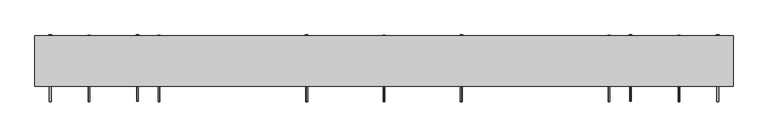
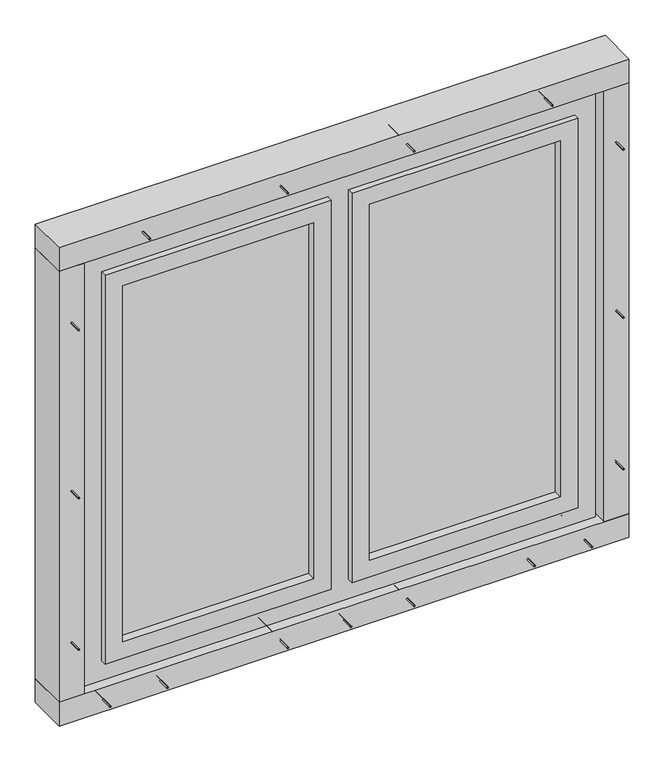
"""IFC4 building model written with IfcOpenShell, lengths in millimetres: proxy geometry."""

from ifc_helpers import new_model, si_unit, point, frame, frame_2d, origin, origin_with_axes, place, context, project, spatial, polyline, circle_curve, trimmed, segment, composite_curve, outline, extrude, source, transform, mapped, element, save


def generic_models_4fd1f605(model_context):
    return source(origin(), model_context, "Body", "SweptSolid", [
        extrude(outline(polyline([(870.0, 5.0), (220.0, 5.0), (220.0, 15.0), (870.0, 15.0), (870.0, 5.0)])), frame((0.0, 0.0, 215.0), z_axis=(0.0, 0.0, 1.0), x_axis=(1.0, 0.0, 0.0)), (0.0, 0.0, 1.0), 1280.0),
        extrude(outline(polyline([(1625.0, 1000.0), (1625.0, -750.0), (85.0, -750.0), (85.0, 1000.0), (1625.0, 1000.0)]), holes=[polyline([(155.0, 930.0), (155.0, 160.0), (1555.0, 160.0), (1555.0, 930.0), (155.0, 930.0)]), polyline([(155.0, -680.0), (1555.0, -680.0), (1555.0, 90.0), (155.0, 90.0), (155.0, -680.0)])]), frame((0.0, -5.0, 0.0), z_axis=(0.0, 1.0, 0.0), x_axis=(0.0, 0.0, 1.0)), (0.0, 0.0, 1.0), 70.0),
        extrude(outline(polyline([(155.0, 930.0), (1555.0, 930.0), (1555.0, 160.0), (155.0, 160.0), (155.0, 930.0)]), holes=[polyline([(1495.0, 870.0), (215.0, 870.0), (215.0, 220.0), (1495.0, 220.0), (1495.0, 870.0)])]), frame((0.0, -25.0, 0.0), z_axis=(0.0, 1.0, 0.0), x_axis=(0.0, 0.0, 1.0)), (0.0, 0.0, 1.0), 70.0),
        extrude(outline(polyline([(-620.0, 5.0), (-620.0, 15.0), (30.0, 15.0), (30.0, 5.0), (-620.0, 5.0)])), frame((0.0, 0.0, 215.0), z_axis=(0.0, 0.0, 1.0), x_axis=(1.0, 0.0, 0.0)), (0.0, 0.0, 1.0), 1280.0),
        extrude(outline(polyline([(155.0, 90.0), (1555.0, 90.0), (1555.0, -680.0), (155.0, -680.0), (155.0, 90.0)]), holes=[polyline([(1495.0, 30.0), (215.0, 30.0), (215.0, -620.0), (1495.0, -620.0), (1495.0, 30.0)])]), frame((0.0, -25.0, 0.0), z_axis=(0.0, 1.0, 0.0), x_axis=(0.0, 0.0, 1.0)), (0.0, 0.0, 1.0), 70.0),
        extrude(outline(composite_curve([segment(trimmed(circle_curve(frame_2d((-530.0, 30.0)), 2.4700592), [point((-530.0, 27.5299408))], [point((-530.0, 32.4700592))], False, "CARTESIAN"), True, "CONTINUOUS"), segment(trimmed(circle_curve(frame_2d((-530.0, 30.0)), 2.4700592), [point((-530.0, 32.4700592))], [point((-530.0, 27.5299408))], False, "CARTESIAN"), True, "CONTINUOUS")], self_intersect=False)), frame((0.0, 0.0, 1555.0), z_axis=(0.0, 0.0, 1.0), x_axis=(1.0, 0.0, 0.0)), (0.0, 0.0, 1.0), 140.0),
        extrude(outline(composite_curve([segment(trimmed(circle_curve(frame_2d((-530.0, 30.0)), 3.8), [point((-530.0, 26.2))], [point((-530.0, 33.8))], False, "CARTESIAN"), True, "CONTINUOUS"), segment(trimmed(circle_curve(frame_2d((-530.0, 30.0)), 3.8), [point((-530.0, 33.8))], [point((-530.0, 26.2))], False, "CARTESIAN"), True, "CONTINUOUS")], self_intersect=False)), frame((0.0, 0.0, 1552.0), z_axis=(0.0, 0.0, 1.0), x_axis=(1.0, 0.0, 0.0)), (0.0, 0.0, 1.0), 3.0),
        extrude(outline(composite_curve([segment(trimmed(circle_curve(frame_2d((780.0, 30.0)), 2.4700592), [point((780.0, 27.5299408))], [point((780.0, 32.4700592))], False, "CARTESIAN"), True, "CONTINUOUS"), segment(trimmed(circle_curve(frame_2d((780.0, 30.0)), 2.4700592), [point((780.0, 32.4700592))], [point((780.0, 27.5299408))], False, "CARTESIAN"), True, "CONTINUOUS")], self_intersect=False)), frame((0.0, 0.0, 1555.0), z_axis=(0.0, 0.0, 1.0), x_axis=(1.0, 0.0, 0.0)), (0.0, 0.0, 1.0), 140.0),
        extrude(outline(composite_curve([segment(trimmed(circle_curve(frame_2d((780.0, 30.0)), 3.8), [point((780.0, 26.2))], [point((780.0, 33.8))], False, "CARTESIAN"), True, "CONTINUOUS"), segment(trimmed(circle_curve(frame_2d((780.0, 30.0)), 3.8), [point((780.0, 33.8))], [point((780.0, 26.2))], False, "CARTESIAN"), True, "CONTINUOUS")], self_intersect=False)), frame((0.0, 0.0, 1552.0), z_axis=(0.0, 0.0, 1.0), x_axis=(1.0, 0.0, 0.0)), (0.0, 0.0, 1.0), 3.0),
        extrude(outline(composite_curve([segment(trimmed(circle_curve(frame_2d((1677.5, 340.0)), 2.4700592), [point((1679.9700592, 340.0))], [point((1675.0299408, 340.0))], False, "CARTESIAN"), True, "CONTINUOUS"), segment(trimmed(circle_curve(frame_2d((1677.5, 340.0)), 2.4700592), [point((1675.0299408, 340.0))], [point((1679.9700592, 340.0))], False, "CARTESIAN"), True, "CONTINUOUS")], self_intersect=False)), frame((0.0, -82.0, 0.0), z_axis=(0.0, 1.0, 0.0), x_axis=(0.0, 0.0, 1.0)), (0.0, 0.0, 1.0), 182.0),
        extrude(outline(composite_curve([segment(trimmed(circle_curve(frame_2d((1677.5, 340.0)), 3.8), [point((1681.3, 340.0))], [point((1673.7, 340.0))], False, "CARTESIAN"), True, "CONTINUOUS"), segment(trimmed(circle_curve(frame_2d((1677.5, 340.0)), 3.8), [point((1673.7, 340.0))], [point((1681.3, 340.0))], False, "CARTESIAN"), True, "CONTINUOUS")], self_intersect=False)), frame((0.0, 100.0, 0.0), z_axis=(0.0, 1.0, 0.0), x_axis=(0.0, 0.0, 1.0)), (0.0, 0.0, 1.0), 3.0),
        extrude(outline(composite_curve([segment(trimmed(circle_curve(frame_2d((310.0, 30.0)), 2.4700592), [point((310.0, 27.5299408))], [point((310.0, 32.4700592))], False, "CARTESIAN"), True, "CONTINUOUS"), segment(trimmed(circle_curve(frame_2d((310.0, 30.0)), 2.4700592), [point((310.0, 32.4700592))], [point((310.0, 27.5299408))], False, "CARTESIAN"), True, "CONTINUOUS")], self_intersect=False)), frame((0.0, 0.0, 1555.0), z_axis=(0.0, 0.0, 1.0), x_axis=(1.0, 0.0, 0.0)), (0.0, 0.0, 1.0), 140.0),
        extrude(outline(composite_curve([segment(trimmed(circle_curve(frame_2d((310.0, 30.0)), 3.8), [point((310.0, 26.2))], [point((310.0, 33.8))], False, "CARTESIAN"), True, "CONTINUOUS"), segment(trimmed(circle_curve(frame_2d((310.0, 30.0)), 3.8), [point((310.0, 33.8))], [point((310.0, 26.2))], False, "CARTESIAN"), True, "CONTINUOUS")], self_intersect=False)), frame((0.0, 0.0, 1552.0), z_axis=(0.0, 0.0, 1.0), x_axis=(1.0, 0.0, 0.0)), (0.0, 0.0, 1.0), 3.0),
        extrude(outline(composite_curve([segment(trimmed(circle_curve(frame_2d((1677.5, -90.0)), 2.4700592), [point((1679.9700592, -90.0))], [point((1675.0299408, -90.0))], False, "CARTESIAN"), True, "CONTINUOUS"), segment(trimmed(circle_curve(frame_2d((1677.5, -90.0)), 2.4700592), [point((1675.0299408, -90.0))], [point((1679.9700592, -90.0))], False, "CARTESIAN"), True, "CONTINUOUS")], self_intersect=False)), frame((0.0, -82.0, 0.0), z_axis=(0.0, 1.0, 0.0), x_axis=(0.0, 0.0, 1.0)), (0.0, 0.0, 1.0), 182.0),
        extrude(outline(composite_curve([segment(trimmed(circle_curve(frame_2d((1677.5, -90.0)), 3.8), [point((1681.3, -90.0))], [point((1673.7, -90.0))], False, "CARTESIAN"), True, "CONTINUOUS"), segment(trimmed(circle_curve(frame_2d((1677.5, -90.0)), 3.8), [point((1673.7, -90.0))], [point((1681.3, -90.0))], False, "CARTESIAN"), True, "CONTINUOUS")], self_intersect=False)), frame((0.0, 100.0, 0.0), z_axis=(0.0, 1.0, 0.0), x_axis=(0.0, 0.0, 1.0)), (0.0, 0.0, 1.0), 3.0),
        extrude(outline(composite_curve([segment(trimmed(circle_curve(frame_2d((-60.0, 30.0)), 2.4700592), [point((-60.0, 27.5299408))], [point((-60.0, 32.4700592))], False, "CARTESIAN"), True, "CONTINUOUS"), segment(trimmed(circle_curve(frame_2d((-60.0, 30.0)), 2.4700592), [point((-60.0, 32.4700592))], [point((-60.0, 27.5299408))], False, "CARTESIAN"), True, "CONTINUOUS")], self_intersect=False)), frame((0.0, 0.0, 1555.0), z_axis=(0.0, 0.0, 1.0), x_axis=(1.0, 0.0, 0.0)), (0.0, 0.0, 1.0), 140.0),
        extrude(outline(composite_curve([segment(trimmed(circle_curve(frame_2d((-60.0, 30.0)), 3.8), [point((-60.0, 26.2))], [point((-60.0, 33.8))], False, "CARTESIAN"), True, "CONTINUOUS"), segment(trimmed(circle_curve(frame_2d((-60.0, 30.0)), 3.8), [point((-60.0, 33.8))], [point((-60.0, 26.2))], False, "CARTESIAN"), True, "CONTINUOUS")], self_intersect=False)), frame((0.0, 0.0, 1552.0), z_axis=(0.0, 0.0, 1.0), x_axis=(1.0, 0.0, 0.0)), (0.0, 0.0, 1.0), 3.0),
        extrude(outline(composite_curve([segment(trimmed(circle_curve(frame_2d((1677.5, -560.0)), 2.4700592), [point((1679.9700592, -560.0))], [point((1675.0299408, -560.0))], False, "CARTESIAN"), True, "CONTINUOUS"), segment(trimmed(circle_curve(frame_2d((1677.5, -560.0)), 2.4700592), [point((1675.0299408, -560.0))], [point((1679.9700592, -560.0))], False, "CARTESIAN"), True, "CONTINUOUS")], self_intersect=False)), frame((0.0, -82.0, 0.0), z_axis=(0.0, 1.0, 0.0), x_axis=(0.0, 0.0, 1.0)), (0.0, 0.0, 1.0), 182.0),
        extrude(outline(composite_curve([segment(trimmed(circle_curve(frame_2d((1677.5, -560.0)), 3.8), [point((1681.3, -560.0))], [point((1673.7, -560.0))], False, "CARTESIAN"), True, "CONTINUOUS"), segment(trimmed(circle_curve(frame_2d((1677.5, -560.0)), 3.8), [point((1673.7, -560.0))], [point((1681.3, -560.0))], False, "CARTESIAN"), True, "CONTINUOUS")], self_intersect=False)), frame((0.0, 100.0, 0.0), z_axis=(0.0, 1.0, 0.0), x_axis=(0.0, 0.0, 1.0)), (0.0, 0.0, 1.0), 3.0),
        extrude(outline(composite_curve([segment(trimmed(circle_curve(frame_2d((1677.5, 810.0)), 2.4700592), [point((1679.9700592, 810.0))], [point((1675.0299408, 810.0))], False, "CARTESIAN"), True, "CONTINUOUS"), segment(trimmed(circle_curve(frame_2d((1677.5, 810.0)), 2.4700592), [point((1675.0299408, 810.0))], [point((1679.9700592, 810.0))], False, "CARTESIAN"), True, "CONTINUOUS")], self_intersect=False)), frame((0.0, -82.0, 0.0), z_axis=(0.0, 1.0, 0.0), x_axis=(0.0, 0.0, 1.0)), (0.0, 0.0, 1.0), 182.0),
        extrude(outline(composite_curve([segment(trimmed(circle_curve(frame_2d((1677.5, 810.0)), 3.8), [point((1681.3, 810.0))], [point((1673.7, 810.0))], False, "CARTESIAN"), True, "CONTINUOUS"), segment(trimmed(circle_curve(frame_2d((1677.5, 810.0)), 3.8), [point((1673.7, 810.0))], [point((1681.3, 810.0))], False, "CARTESIAN"), True, "CONTINUOUS")], self_intersect=False)), frame((0.0, 100.0, 0.0), z_axis=(0.0, 1.0, 0.0), x_axis=(0.0, 0.0, 1.0)), (0.0, 0.0, 1.0), 3.0),
        extrude(outline(polyline([(1095.0, -40.0), (-845.0, -40.0), (-845.0, 100.0), (1095.0, 100.0), (1095.0, -40.0)])), frame((0.0, 0.0, 1635.0), z_axis=(0.0, 0.0, 1.0), x_axis=(1.0, 0.0, 0.0)), (0.0, 0.0, 1.0), 85.0),
        extrude(outline(composite_curve([segment(trimmed(circle_curve(frame_2d((42.5, -500.0)), 2.4700592), [point((44.9700592, -500.0))], [point((40.0299408, -500.0))], False, "CARTESIAN"), True, "CONTINUOUS"), segment(trimmed(circle_curve(frame_2d((42.5, -500.0)), 2.4700592), [point((40.0299408, -500.0))], [point((44.9700592, -500.0))], False, "CARTESIAN"), True, "CONTINUOUS")], self_intersect=False)), frame((0.0, -82.0, 0.0), z_axis=(0.0, 1.0, 0.0), x_axis=(0.0, 0.0, 1.0)), (0.0, 0.0, 1.0), 182.0),
        extrude(outline(composite_curve([segment(trimmed(circle_curve(frame_2d((42.5, -500.0)), 3.8), [point((46.3, -500.0))], [point((38.7, -500.0))], False, "CARTESIAN"), True, "CONTINUOUS"), segment(trimmed(circle_curve(frame_2d((42.5, -500.0)), 3.8), [point((38.7, -500.0))], [point((46.3, -500.0))], False, "CARTESIAN"), True, "CONTINUOUS")], self_intersect=False)), frame((0.0, 100.0, 0.0), z_axis=(0.0, 1.0, 0.0), x_axis=(0.0, 0.0, 1.0)), (0.0, 0.0, 1.0), 3.0),
        extrude(outline(composite_curve([segment(trimmed(circle_curve(frame_2d((-530.0, 30.0)), 2.4700592), [point((-530.0, 27.5299408))], [point((-530.0, 32.4700592))], False, "CARTESIAN"), True, "CONTINUOUS"), segment(trimmed(circle_curve(frame_2d((-530.0, 30.0)), 2.4700592), [point((-530.0, 32.4700592))], [point((-530.0, 27.5299408))], False, "CARTESIAN"), True, "CONTINUOUS")], self_intersect=False)), frame((0.0, 0.0, 25.0), z_axis=(0.0, 0.0, 1.0), x_axis=(1.0, 0.0, 0.0)), (0.0, 0.0, 1.0), 130.0),
        extrude(outline(composite_curve([segment(trimmed(circle_curve(frame_2d((-530.0, 30.0)), 3.8), [point((-530.0, 26.2))], [point((-530.0, 33.8))], False, "CARTESIAN"), True, "CONTINUOUS"), segment(trimmed(circle_curve(frame_2d((-530.0, 30.0)), 3.8), [point((-530.0, 33.8))], [point((-530.0, 26.2))], False, "CARTESIAN"), True, "CONTINUOUS")], self_intersect=False)), frame((0.0, 0.0, 155.0), z_axis=(0.0, 0.0, 1.0), x_axis=(1.0, 0.0, 0.0)), (0.0, 0.0, 1.0), 3.0),
        extrude(outline(composite_curve([segment(trimmed(circle_curve(frame_2d((42.5, -90.0)), 2.4700592), [point((44.9700592, -90.0))], [point((40.0299408, -90.0))], False, "CARTESIAN"), True, "CONTINUOUS"), segment(trimmed(circle_curve(frame_2d((42.5, -90.0)), 2.4700592), [point((40.0299408, -90.0))], [point((44.9700592, -90.0))], False, "CARTESIAN"), True, "CONTINUOUS")], self_intersect=False)), frame((0.0, -82.0, 0.0), z_axis=(0.0, 1.0, 0.0), x_axis=(0.0, 0.0, 1.0)), (0.0, 0.0, 1.0), 182.0),
        extrude(outline(composite_curve([segment(trimmed(circle_curve(frame_2d((42.5, -90.0)), 3.8), [point((46.3, -90.0))], [point((38.7, -90.0))], False, "CARTESIAN"), True, "CONTINUOUS"), segment(trimmed(circle_curve(frame_2d((42.5, -90.0)), 3.8), [point((38.7, -90.0))], [point((46.3, -90.0))], False, "CARTESIAN"), True, "CONTINUOUS")], self_intersect=False)), frame((0.0, 100.0, 0.0), z_axis=(0.0, 1.0, 0.0), x_axis=(0.0, 0.0, 1.0)), (0.0, 0.0, 1.0), 3.0),
        extrude(outline(composite_curve([segment(trimmed(circle_curve(frame_2d((-60.0, 30.0)), 2.4700592), [point((-60.0, 27.5299408))], [point((-60.0, 32.4700592))], False, "CARTESIAN"), True, "CONTINUOUS"), segment(trimmed(circle_curve(frame_2d((-60.0, 30.0)), 2.4700592), [point((-60.0, 32.4700592))], [point((-60.0, 27.5299408))], False, "CARTESIAN"), True, "CONTINUOUS")], self_intersect=False)), frame((0.0, 0.0, 25.0), z_axis=(0.0, 0.0, 1.0), x_axis=(1.0, 0.0, 0.0)), (0.0, 0.0, 1.0), 130.0),
        extrude(outline(composite_curve([segment(trimmed(circle_curve(frame_2d((-60.0, 30.0)), 3.8), [point((-60.0, 26.2))], [point((-60.0, 33.8))], False, "CARTESIAN"), True, "CONTINUOUS"), segment(trimmed(circle_curve(frame_2d((-60.0, 30.0)), 3.8), [point((-60.0, 33.8))], [point((-60.0, 26.2))], False, "CARTESIAN"), True, "CONTINUOUS")], self_intersect=False)), frame((0.0, 0.0, 155.0), z_axis=(0.0, 0.0, 1.0), x_axis=(1.0, 0.0, 0.0)), (0.0, 0.0, 1.0), 3.0),
        extrude(outline(composite_curve([segment(trimmed(circle_curve(frame_2d((42.5, 750.0)), 2.4700592), [point((44.9700592, 750.0))], [point((40.0299408, 750.0))], False, "CARTESIAN"), True, "CONTINUOUS"), segment(trimmed(circle_curve(frame_2d((42.5, 750.0)), 2.4700592), [point((40.0299408, 750.0))], [point((44.9700592, 750.0))], False, "CARTESIAN"), True, "CONTINUOUS")], self_intersect=False)), frame((0.0, -82.0, 0.0), z_axis=(0.0, 1.0, 0.0), x_axis=(0.0, 0.0, 1.0)), (0.0, 0.0, 1.0), 182.0),
        extrude(outline(composite_curve([segment(trimmed(circle_curve(frame_2d((42.5, 750.0)), 3.8), [point((46.3, 750.0))], [point((38.7, 750.0))], False, "CARTESIAN"), True, "CONTINUOUS"), segment(trimmed(circle_curve(frame_2d((42.5, 750.0)), 3.8), [point((38.7, 750.0))], [point((46.3, 750.0))], False, "CARTESIAN"), True, "CONTINUOUS")], self_intersect=False)), frame((0.0, 100.0, 0.0), z_axis=(0.0, 1.0, 0.0), x_axis=(0.0, 0.0, 1.0)), (0.0, 0.0, 1.0), 3.0),
        extrude(outline(composite_curve([segment(trimmed(circle_curve(frame_2d((780.0, 30.0)), 2.4700592), [point((780.0, 27.5299408))], [point((780.0, 32.4700592))], False, "CARTESIAN"), True, "CONTINUOUS"), segment(trimmed(circle_curve(frame_2d((780.0, 30.0)), 2.4700592), [point((780.0, 32.4700592))], [point((780.0, 27.5299408))], False, "CARTESIAN"), True, "CONTINUOUS")], self_intersect=False)), frame((0.0, 0.0, 25.0), z_axis=(0.0, 0.0, 1.0), x_axis=(1.0, 0.0, 0.0)), (0.0, 0.0, 1.0), 130.0),
        extrude(outline(composite_curve([segment(trimmed(circle_curve(frame_2d((780.0, 30.0)), 3.8), [point((780.0, 26.2))], [point((780.0, 33.8))], False, "CARTESIAN"), True, "CONTINUOUS"), segment(trimmed(circle_curve(frame_2d((780.0, 30.0)), 3.8), [point((780.0, 33.8))], [point((780.0, 26.2))], False, "CARTESIAN"), True, "CONTINUOUS")], self_intersect=False)), frame((0.0, 0.0, 155.0), z_axis=(0.0, 0.0, 1.0), x_axis=(1.0, 0.0, 0.0)), (0.0, 0.0, 1.0), 3.0),
        extrude(outline(composite_curve([segment(trimmed(circle_curve(frame_2d((42.5, 340.0)), 2.4700592), [point((44.9700592, 340.0))], [point((40.0299408, 340.0))], False, "CARTESIAN"), True, "CONTINUOUS"), segment(trimmed(circle_curve(frame_2d((42.5, 340.0)), 2.4700592), [point((40.0299408, 340.0))], [point((44.9700592, 340.0))], False, "CARTESIAN"), True, "CONTINUOUS")], self_intersect=False)), frame((0.0, -82.0, 0.0), z_axis=(0.0, 1.0, 0.0), x_axis=(0.0, 0.0, 1.0)), (0.0, 0.0, 1.0), 182.0),
        extrude(outline(composite_curve([segment(trimmed(circle_curve(frame_2d((42.5, 340.0)), 3.8), [point((46.3, 340.0))], [point((38.7, 340.0))], False, "CARTESIAN"), True, "CONTINUOUS"), segment(trimmed(circle_curve(frame_2d((42.5, 340.0)), 3.8), [point((38.7, 340.0))], [point((46.3, 340.0))], False, "CARTESIAN"), True, "CONTINUOUS")], self_intersect=False)), frame((0.0, 100.0, 0.0), z_axis=(0.0, 1.0, 0.0), x_axis=(0.0, 0.0, 1.0)), (0.0, 0.0, 1.0), 3.0),
        extrude(outline(composite_curve([segment(trimmed(circle_curve(frame_2d((310.0, 30.0)), 2.4700592), [point((310.0, 27.5299408))], [point((310.0, 32.4700592))], False, "CARTESIAN"), True, "CONTINUOUS"), segment(trimmed(circle_curve(frame_2d((310.0, 30.0)), 2.4700592), [point((310.0, 32.4700592))], [point((310.0, 27.5299408))], False, "CARTESIAN"), True, "CONTINUOUS")], self_intersect=False)), frame((0.0, 0.0, 25.0), z_axis=(0.0, 0.0, 1.0), x_axis=(1.0, 0.0, 0.0)), (0.0, 0.0, 1.0), 130.0),
        extrude(outline(composite_curve([segment(trimmed(circle_curve(frame_2d((310.0, 30.0)), 3.8), [point((310.0, 26.2))], [point((310.0, 33.8))], False, "CARTESIAN"), True, "CONTINUOUS"), segment(trimmed(circle_curve(frame_2d((310.0, 30.0)), 3.8), [point((310.0, 33.8))], [point((310.0, 26.2))], False, "CARTESIAN"), True, "CONTINUOUS")], self_intersect=False)), frame((0.0, 0.0, 155.0), z_axis=(0.0, 0.0, 1.0), x_axis=(1.0, 0.0, 0.0)), (0.0, 0.0, 1.0), 3.0),
        extrude(outline(composite_curve([segment(trimmed(circle_curve(frame_2d((42.5, 125.0)), 2.4700592), [point((44.9700592, 125.0))], [point((40.0299408, 125.0))], False, "CARTESIAN"), True, "CONTINUOUS"), segment(trimmed(circle_curve(frame_2d((42.5, 125.0)), 2.4700592), [point((40.0299408, 125.0))], [point((44.9700592, 125.0))], False, "CARTESIAN"), True, "CONTINUOUS")], self_intersect=False)), frame((0.0, -82.0, 0.0), z_axis=(0.0, 1.0, 0.0), x_axis=(0.0, 0.0, 1.0)), (0.0, 0.0, 1.0), 182.0),
        extrude(outline(composite_curve([segment(trimmed(circle_curve(frame_2d((42.5, 125.0)), 3.8), [point((46.3, 125.0))], [point((38.7, 125.0))], False, "CARTESIAN"), True, "CONTINUOUS"), segment(trimmed(circle_curve(frame_2d((42.5, 125.0)), 3.8), [point((38.7, 125.0))], [point((46.3, 125.0))], False, "CARTESIAN"), True, "CONTINUOUS")], self_intersect=False)), frame((0.0, 100.0, 0.0), z_axis=(0.0, 1.0, 0.0), x_axis=(0.0, 0.0, 1.0)), (0.0, 0.0, 1.0), 3.0),
        extrude(outline(composite_curve([segment(trimmed(circle_curve(frame_2d((42.5, -695.0)), 2.4700592), [point((44.9700592, -695.0))], [point((40.0299408, -695.0))], False, "CARTESIAN"), True, "CONTINUOUS"), segment(trimmed(circle_curve(frame_2d((42.5, -695.0)), 2.4700592), [point((40.0299408, -695.0))], [point((44.9700592, -695.0))], False, "CARTESIAN"), True, "CONTINUOUS")], self_intersect=False)), frame((0.0, -82.0, 0.0), z_axis=(0.0, 1.0, 0.0), x_axis=(0.0, 0.0, 1.0)), (0.0, 0.0, 1.0), 182.0),
        extrude(outline(composite_curve([segment(trimmed(circle_curve(frame_2d((42.5, -695.0)), 3.8), [point((46.3, -695.0))], [point((38.7, -695.0))], False, "CARTESIAN"), True, "CONTINUOUS"), segment(trimmed(circle_curve(frame_2d((42.5, -695.0)), 3.8), [point((38.7, -695.0))], [point((46.3, -695.0))], False, "CARTESIAN"), True, "CONTINUOUS")], self_intersect=False)), frame((0.0, 100.0, 0.0), z_axis=(0.0, 1.0, 0.0), x_axis=(0.0, 0.0, 1.0)), (0.0, 0.0, 1.0), 3.0),
        extrude(outline(composite_curve([segment(trimmed(circle_curve(frame_2d((42.5, 945.0)), 2.4700592), [point((44.9700592, 945.0))], [point((40.0299408, 945.0))], False, "CARTESIAN"), True, "CONTINUOUS"), segment(trimmed(circle_curve(frame_2d((42.5, 945.0)), 2.4700592), [point((40.0299408, 945.0))], [point((44.9700592, 945.0))], False, "CARTESIAN"), True, "CONTINUOUS")], self_intersect=False)), frame((0.0, -82.0, 0.0), z_axis=(0.0, 1.0, 0.0), x_axis=(0.0, 0.0, 1.0)), (0.0, 0.0, 1.0), 182.0),
        extrude(outline(composite_curve([segment(trimmed(circle_curve(frame_2d((42.5, 945.0)), 3.8), [point((46.3, 945.0))], [point((38.7, 945.0))], False, "CARTESIAN"), True, "CONTINUOUS"), segment(trimmed(circle_curve(frame_2d((42.5, 945.0)), 3.8), [point((38.7, 945.0))], [point((46.3, 945.0))], False, "CARTESIAN"), True, "CONTINUOUS")], self_intersect=False)), frame((0.0, 100.0, 0.0), z_axis=(0.0, 1.0, 0.0), x_axis=(0.0, 0.0, 1.0)), (0.0, 0.0, 1.0), 3.0),
        extrude(outline(polyline([(1095.0, -40.0), (-845.0, -40.0), (-845.0, 100.0), (1095.0, 100.0), (1095.0, -40.0)])), origin_with_axes(), (0.0, 0.0, 1.0), 85.0),
        extrude(outline(composite_curve([segment(trimmed(circle_curve(frame_2d((30.0, 305.0)), 2.4700592), [point((27.5299408, 305.0))], [point((32.4700592, 305.0))], False, "CARTESIAN"), True, "CONTINUOUS"), segment(trimmed(circle_curve(frame_2d((30.0, 305.0)), 2.4700592), [point((32.4700592, 305.0))], [point((27.5299408, 305.0))], False, "CARTESIAN"), True, "CONTINUOUS")], self_intersect=False)), frame((-820.0, 0.0, 0.0), z_axis=(1.0, 0.0, 0.0), x_axis=(0.0, 1.0, 0.0)), (0.0, 0.0, 1.0), 140.0),
        extrude(outline(composite_curve([segment(trimmed(circle_curve(frame_2d((30.0, 305.0)), 3.8), [point((26.2, 305.0))], [point((33.8, 305.0))], False, "CARTESIAN"), True, "CONTINUOUS"), segment(trimmed(circle_curve(frame_2d((30.0, 305.0)), 3.8), [point((33.8, 305.0))], [point((26.2, 305.0))], False, "CARTESIAN"), True, "CONTINUOUS")], self_intersect=False)), frame((-680.0, 0.0, 0.0), z_axis=(1.0, 0.0, 0.0), x_axis=(0.0, 1.0, 0.0)), (0.0, 0.0, 1.0), 3.0),
        extrude(outline(composite_curve([segment(trimmed(circle_curve(frame_2d((30.0, 1405.0)), 2.4700592), [point((27.5299408, 1405.0))], [point((32.4700592, 1405.0))], False, "CARTESIAN"), True, "CONTINUOUS"), segment(trimmed(circle_curve(frame_2d((30.0, 1405.0)), 2.4700592), [point((32.4700592, 1405.0))], [point((27.5299408, 1405.0))], False, "CARTESIAN"), True, "CONTINUOUS")], self_intersect=False)), frame((-820.0, 0.0, 0.0), z_axis=(1.0, 0.0, 0.0), x_axis=(0.0, 1.0, 0.0)), (0.0, 0.0, 1.0), 140.0),
        extrude(outline(composite_curve([segment(trimmed(circle_curve(frame_2d((30.0, 1405.0)), 3.8), [point((26.2, 1405.0))], [point((33.8, 1405.0))], False, "CARTESIAN"), True, "CONTINUOUS"), segment(trimmed(circle_curve(frame_2d((30.0, 1405.0)), 3.8), [point((33.8, 1405.0))], [point((26.2, 1405.0))], False, "CARTESIAN"), True, "CONTINUOUS")], self_intersect=False)), frame((-680.0, 0.0, 0.0), z_axis=(1.0, 0.0, 0.0), x_axis=(0.0, 1.0, 0.0)), (0.0, 0.0, 1.0), 3.0),
        extrude(outline(composite_curve([segment(trimmed(circle_curve(frame_2d((830.0, -802.5)), 2.4700592), [point((830.0, -804.9700592))], [point((830.0, -800.0299408))], False, "CARTESIAN"), True, "CONTINUOUS"), segment(trimmed(circle_curve(frame_2d((830.0, -802.5)), 2.4700592), [point((830.0, -800.0299408))], [point((830.0, -804.9700592))], False, "CARTESIAN"), True, "CONTINUOUS")], self_intersect=False)), frame((0.0, -82.0, 0.0), z_axis=(0.0, 1.0, 0.0), x_axis=(0.0, 0.0, 1.0)), (0.0, 0.0, 1.0), 182.0),
        extrude(outline(composite_curve([segment(trimmed(circle_curve(frame_2d((830.0, -802.5)), 3.8), [point((830.0, -806.3))], [point((830.0, -798.7))], False, "CARTESIAN"), True, "CONTINUOUS"), segment(trimmed(circle_curve(frame_2d((830.0, -802.5)), 3.8), [point((830.0, -798.7))], [point((830.0, -806.3))], False, "CARTESIAN"), True, "CONTINUOUS")], self_intersect=False)), frame((0.0, 100.0, 0.0), z_axis=(0.0, 1.0, 0.0), x_axis=(0.0, 0.0, 1.0)), (0.0, 0.0, 1.0), 3.0),
        extrude(outline(composite_curve([segment(trimmed(circle_curve(frame_2d((30.0, 860.0)), 2.4700592), [point((27.5299408, 860.0))], [point((32.4700592, 860.0))], False, "CARTESIAN"), True, "CONTINUOUS"), segment(trimmed(circle_curve(frame_2d((30.0, 860.0)), 2.4700592), [point((32.4700592, 860.0))], [point((27.5299408, 860.0))], False, "CARTESIAN"), True, "CONTINUOUS")], self_intersect=False)), frame((-820.0, 0.0, 0.0), z_axis=(1.0, 0.0, 0.0), x_axis=(0.0, 1.0, 0.0)), (0.0, 0.0, 1.0), 140.0),
        extrude(outline(composite_curve([segment(trimmed(circle_curve(frame_2d((30.0, 860.0)), 3.8), [point((26.2, 860.0))], [point((33.8, 860.0))], False, "CARTESIAN"), True, "CONTINUOUS"), segment(trimmed(circle_curve(frame_2d((30.0, 860.0)), 3.8), [point((33.8, 860.0))], [point((26.2, 860.0))], False, "CARTESIAN"), True, "CONTINUOUS")], self_intersect=False)), frame((-680.0, 0.0, 0.0), z_axis=(1.0, 0.0, 0.0), x_axis=(0.0, 1.0, 0.0)), (0.0, 0.0, 1.0), 3.0),
        extrude(outline(composite_curve([segment(trimmed(circle_curve(frame_2d((1435.0, -802.5)), 2.4700592), [point((1435.0, -804.9700592))], [point((1435.0, -800.0299408))], False, "CARTESIAN"), True, "CONTINUOUS"), segment(trimmed(circle_curve(frame_2d((1435.0, -802.5)), 2.4700592), [point((1435.0, -800.0299408))], [point((1435.0, -804.9700592))], False, "CARTESIAN"), True, "CONTINUOUS")], self_intersect=False)), frame((0.0, -82.0, 0.0), z_axis=(0.0, 1.0, 0.0), x_axis=(0.0, 0.0, 1.0)), (0.0, 0.0, 1.0), 182.0),
        extrude(outline(composite_curve([segment(trimmed(circle_curve(frame_2d((1435.0, -802.5)), 3.8), [point((1435.0, -806.3))], [point((1435.0, -798.7))], False, "CARTESIAN"), True, "CONTINUOUS"), segment(trimmed(circle_curve(frame_2d((1435.0, -802.5)), 3.8), [point((1435.0, -798.7))], [point((1435.0, -806.3))], False, "CARTESIAN"), True, "CONTINUOUS")], self_intersect=False)), frame((0.0, 100.0, 0.0), z_axis=(0.0, 1.0, 0.0), x_axis=(0.0, 0.0, 1.0)), (0.0, 0.0, 1.0), 3.0),
        extrude(outline(composite_curve([segment(trimmed(circle_curve(frame_2d((285.0, -802.5)), 2.4700592), [point((285.0, -804.9700592))], [point((285.0, -800.0299408))], False, "CARTESIAN"), True, "CONTINUOUS"), segment(trimmed(circle_curve(frame_2d((285.0, -802.5)), 2.4700592), [point((285.0, -800.0299408))], [point((285.0, -804.9700592))], False, "CARTESIAN"), True, "CONTINUOUS")], self_intersect=False)), frame((0.0, -82.0, 0.0), z_axis=(0.0, 1.0, 0.0), x_axis=(0.0, 0.0, 1.0)), (0.0, 0.0, 1.0), 182.0),
        extrude(outline(composite_curve([segment(trimmed(circle_curve(frame_2d((285.0, -802.5)), 3.8), [point((285.0, -806.3))], [point((285.0, -798.7))], False, "CARTESIAN"), True, "CONTINUOUS"), segment(trimmed(circle_curve(frame_2d((285.0, -802.5)), 3.8), [point((285.0, -798.7))], [point((285.0, -806.3))], False, "CARTESIAN"), True, "CONTINUOUS")], self_intersect=False)), frame((0.0, 100.0, 0.0), z_axis=(0.0, 1.0, 0.0), x_axis=(0.0, 0.0, 1.0)), (0.0, 0.0, 1.0), 3.0),
        extrude(outline(polyline([(-845.0, -40.0), (-845.0, 100.0), (-760.0, 100.0), (-760.0, -40.0), (-845.0, -40.0)])), frame((0.0, 0.0, 85.0), z_axis=(0.0, 0.0, 1.0), x_axis=(1.0, 0.0, 0.0)), (0.0, 0.0, 1.0), 1550.0),
        extrude(outline(composite_curve([segment(trimmed(circle_curve(frame_2d((30.0, 305.0)), 2.4700592), [point((27.5299408, 305.0))], [point((32.4700592, 305.0))], False, "CARTESIAN"), True, "CONTINUOUS"), segment(trimmed(circle_curve(frame_2d((30.0, 305.0)), 2.4700592), [point((32.4700592, 305.0))], [point((27.5299408, 305.0))], False, "CARTESIAN"), True, "CONTINUOUS")], self_intersect=False)), frame((930.0, 0.0, 0.0), z_axis=(1.0, 0.0, 0.0), x_axis=(0.0, 1.0, 0.0)), (0.0, 0.0, 1.0), 140.0),
        extrude(outline(composite_curve([segment(trimmed(circle_curve(frame_2d((30.0, 305.0)), 3.8), [point((26.2, 305.0))], [point((33.8, 305.0))], False, "CARTESIAN"), True, "CONTINUOUS"), segment(trimmed(circle_curve(frame_2d((30.0, 305.0)), 3.8), [point((33.8, 305.0))], [point((26.2, 305.0))], False, "CARTESIAN"), True, "CONTINUOUS")], self_intersect=False)), frame((927.0, 0.0, 0.0), z_axis=(1.0, 0.0, 0.0), x_axis=(0.0, 1.0, 0.0)), (0.0, 0.0, 1.0), 3.0),
        extrude(outline(composite_curve([segment(trimmed(circle_curve(frame_2d((30.0, 1405.0)), 2.4700592), [point((27.5299408, 1405.0))], [point((32.4700592, 1405.0))], False, "CARTESIAN"), True, "CONTINUOUS"), segment(trimmed(circle_curve(frame_2d((30.0, 1405.0)), 2.4700592), [point((32.4700592, 1405.0))], [point((27.5299408, 1405.0))], False, "CARTESIAN"), True, "CONTINUOUS")], self_intersect=False)), frame((930.0, 0.0, 0.0), z_axis=(1.0, 0.0, 0.0), x_axis=(0.0, 1.0, 0.0)), (0.0, 0.0, 1.0), 140.0),
        extrude(outline(composite_curve([segment(trimmed(circle_curve(frame_2d((30.0, 1405.0)), 3.8), [point((26.2, 1405.0))], [point((33.8, 1405.0))], False, "CARTESIAN"), True, "CONTINUOUS"), segment(trimmed(circle_curve(frame_2d((30.0, 1405.0)), 3.8), [point((33.8, 1405.0))], [point((26.2, 1405.0))], False, "CARTESIAN"), True, "CONTINUOUS")], self_intersect=False)), frame((927.0, 0.0, 0.0), z_axis=(1.0, 0.0, 0.0), x_axis=(0.0, 1.0, 0.0)), (0.0, 0.0, 1.0), 3.0),
        extrude(outline(composite_curve([segment(trimmed(circle_curve(frame_2d((830.0, 1052.5)), 2.4700592), [point((830.0, 1054.9700592))], [point((830.0, 1050.0299408))], False, "CARTESIAN"), True, "CONTINUOUS"), segment(trimmed(circle_curve(frame_2d((830.0, 1052.5)), 2.4700592), [point((830.0, 1050.0299408))], [point((830.0, 1054.9700592))], False, "CARTESIAN"), True, "CONTINUOUS")], self_intersect=False)), frame((0.0, -82.0, 0.0), z_axis=(0.0, 1.0, 0.0), x_axis=(0.0, 0.0, 1.0)), (0.0, 0.0, 1.0), 182.0),
        extrude(outline(composite_curve([segment(trimmed(circle_curve(frame_2d((830.0, 1052.5)), 3.8), [point((830.0, 1056.3))], [point((830.0, 1048.7))], False, "CARTESIAN"), True, "CONTINUOUS"), segment(trimmed(circle_curve(frame_2d((830.0, 1052.5)), 3.8), [point((830.0, 1048.7))], [point((830.0, 1056.3))], False, "CARTESIAN"), True, "CONTINUOUS")], self_intersect=False)), frame((0.0, 100.0, 0.0), z_axis=(0.0, 1.0, 0.0), x_axis=(0.0, 0.0, 1.0)), (0.0, 0.0, 1.0), 3.0),
        extrude(outline(composite_curve([segment(trimmed(circle_curve(frame_2d((30.0, 860.0)), 2.4700592), [point((27.5299408, 860.0))], [point((32.4700592, 860.0))], False, "CARTESIAN"), True, "CONTINUOUS"), segment(trimmed(circle_curve(frame_2d((30.0, 860.0)), 2.4700592), [point((32.4700592, 860.0))], [point((27.5299408, 860.0))], False, "CARTESIAN"), True, "CONTINUOUS")], self_intersect=False)), frame((930.0, 0.0, 0.0), z_axis=(1.0, 0.0, 0.0), x_axis=(0.0, 1.0, 0.0)), (0.0, 0.0, 1.0), 140.0),
        extrude(outline(composite_curve([segment(trimmed(circle_curve(frame_2d((30.0, 860.0)), 3.8), [point((26.2, 860.0))], [point((33.8, 860.0))], False, "CARTESIAN"), True, "CONTINUOUS"), segment(trimmed(circle_curve(frame_2d((30.0, 860.0)), 3.8), [point((33.8, 860.0))], [point((26.2, 860.0))], False, "CARTESIAN"), True, "CONTINUOUS")], self_intersect=False)), frame((927.0, 0.0, 0.0), z_axis=(1.0, 0.0, 0.0), x_axis=(0.0, 1.0, 0.0)), (0.0, 0.0, 1.0), 3.0),
        extrude(outline(composite_curve([segment(trimmed(circle_curve(frame_2d((1435.0, 1052.5)), 2.4700592), [point((1435.0, 1054.9700592))], [point((1435.0, 1050.0299408))], False, "CARTESIAN"), True, "CONTINUOUS"), segment(trimmed(circle_curve(frame_2d((1435.0, 1052.5)), 2.4700592), [point((1435.0, 1050.0299408))], [point((1435.0, 1054.9700592))], False, "CARTESIAN"), True, "CONTINUOUS")], self_intersect=False)), frame((0.0, -82.0, 0.0), z_axis=(0.0, 1.0, 0.0), x_axis=(0.0, 0.0, 1.0)), (0.0, 0.0, 1.0), 182.0),
        extrude(outline(composite_curve([segment(trimmed(circle_curve(frame_2d((1435.0, 1052.5)), 3.8), [point((1435.0, 1056.3))], [point((1435.0, 1048.7))], False, "CARTESIAN"), True, "CONTINUOUS"), segment(trimmed(circle_curve(frame_2d((1435.0, 1052.5)), 3.8), [point((1435.0, 1048.7))], [point((1435.0, 1056.3))], False, "CARTESIAN"), True, "CONTINUOUS")], self_intersect=False)), frame((0.0, 100.0, 0.0), z_axis=(0.0, 1.0, 0.0), x_axis=(0.0, 0.0, 1.0)), (0.0, 0.0, 1.0), 3.0),
        extrude(outline(composite_curve([segment(trimmed(circle_curve(frame_2d((285.0, 1052.5)), 2.4700592), [point((285.0, 1054.9700592))], [point((285.0, 1050.0299408))], False, "CARTESIAN"), True, "CONTINUOUS"), segment(trimmed(circle_curve(frame_2d((285.0, 1052.5)), 2.4700592), [point((285.0, 1050.0299408))], [point((285.0, 1054.9700592))], False, "CARTESIAN"), True, "CONTINUOUS")], self_intersect=False)), frame((0.0, -82.0, 0.0), z_axis=(0.0, 1.0, 0.0), x_axis=(0.0, 0.0, 1.0)), (0.0, 0.0, 1.0), 182.0),
        extrude(outline(composite_curve([segment(trimmed(circle_curve(frame_2d((285.0, 1052.5)), 3.8), [point((285.0, 1056.3))], [point((285.0, 1048.7))], False, "CARTESIAN"), True, "CONTINUOUS"), segment(trimmed(circle_curve(frame_2d((285.0, 1052.5)), 3.8), [point((285.0, 1048.7))], [point((285.0, 1056.3))], False, "CARTESIAN"), True, "CONTINUOUS")], self_intersect=False)), frame((0.0, 100.0, 0.0), z_axis=(0.0, 1.0, 0.0), x_axis=(0.0, 0.0, 1.0)), (0.0, 0.0, 1.0), 3.0),
        extrude(outline(polyline([(1095.0, -40.0), (1010.0, -40.0), (1010.0, 100.0), (1095.0, 100.0), (1095.0, -40.0)])), frame((0.0, 0.0, 85.0), z_axis=(0.0, 0.0, 1.0), x_axis=(1.0, 0.0, 0.0)), (0.0, 0.0, 1.0), 1550.0),
    ])


if __name__ == "__main__":
    model = new_model("IFC4")
    model_context = context("Model", 3, world=origin())
    ifc_project = project(units=[si_unit("LENGTHUNIT", "METRE", prefix="MILLI")], contexts=[model_context])
    site = spatial("IfcSite", under=ifc_project)
    building = spatial("IfcBuilding", under=site)
    placement = place(None, origin())
    generic_models_shape = generic_models_4fd1f605(model_context)
    element("IfcBuildingElementProxy", 1, Name="Generic Models", at=placement, inside=building, context=model_context, shape_type="MappedRepresentation", body=[
        mapped(generic_models_shape, transform((0.0, 0.0, 0.0), x_axis=(1.0, 0.0, 0.0), y_axis=(0.0, 1.0, 0.0), z_axis=(0.0, 0.0, 1.0))),
    ])
    save(model, "model.ifc")
